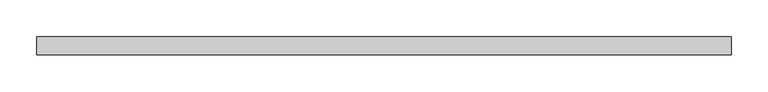
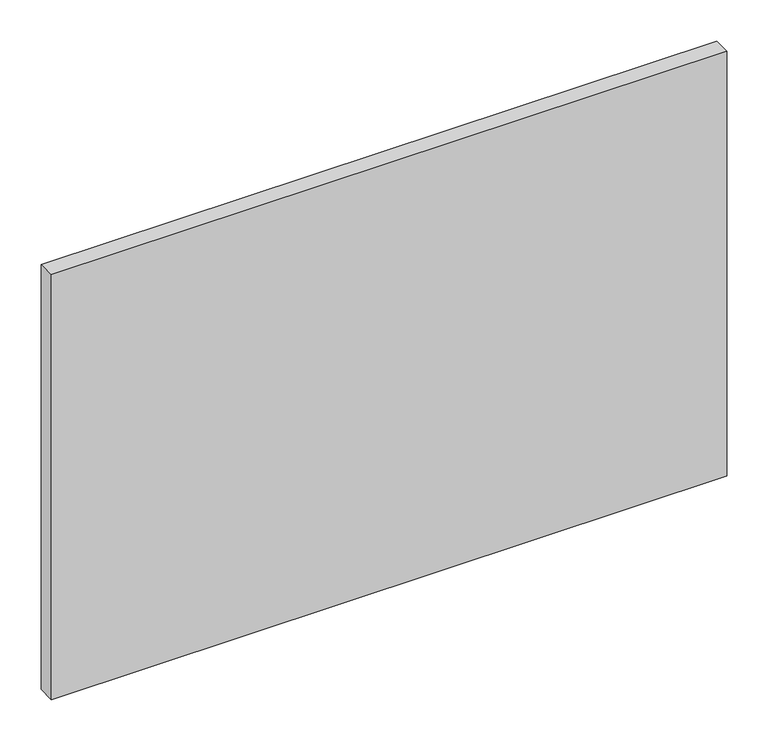
"""IFC4 building model written with IfcOpenShell, lengths in millimetres: plate geometry."""

from ifc_helpers import new_model, si_unit, origin, origin_with_axes, place, context, project, spatial, polyline, outline, extrude, source, transform, mapped, element, save


def plate_ed6bfc43(model_context):
    return source(origin(), model_context, "Body", "SweptSolid", [
        extrude(outline(polyline([(475.0, -12.5), (-475.0, -12.5), (-475.0, 12.5), (475.0, 12.5), (475.0, -12.5)])), origin_with_axes(), (0.0, 0.0, 1.0), 631.8371653),
    ])


if __name__ == "__main__":
    model = new_model("IFC4")
    model_context = context("Model", 3, world=origin())
    ifc_project = project(units=[si_unit("LENGTHUNIT", "METRE", prefix="MILLI")], contexts=[model_context])
    site = spatial("IfcSite", under=ifc_project)
    building = spatial("IfcBuilding", under=site)
    placement = place(None, origin())
    plate_shape = plate_ed6bfc43(model_context)
    element("IfcPlate", 1, at=placement, inside=building, context=model_context, shape_type="MappedRepresentation", body=[
        mapped(plate_shape, transform((0.0, 0.0, 0.0), x_axis=(1.0, 0.0, 0.0), y_axis=(0.0, 1.0, 0.0), z_axis=(0.0, 0.0, 1.0))),
    ])
    save(model, "model.ifc")
